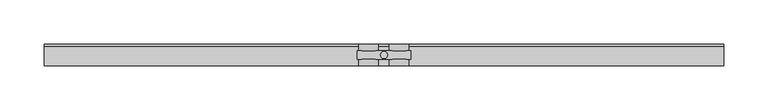
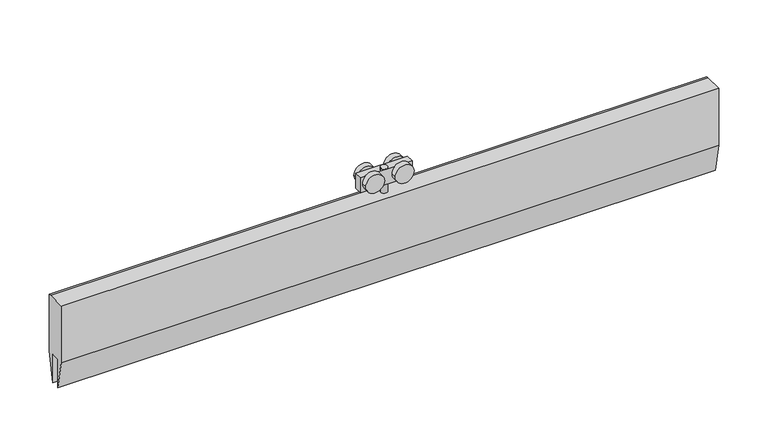
"""IFC4 building model written with IfcOpenShell, lengths in millimetres: proxy geometry."""

from ifc_helpers import new_model, si_unit, point, frame, frame_2d, origin, origin_2d, place, context, project, spatial, polyline, circle_curve, trimmed, segment, composite_curve, outline, extrude, source, transform, mapped, element, save


def specialty_equipment_376a0b69(model_context):
    return source(origin(), model_context, "Body", "SweptSolid", [
        extrude(outline(polyline([(-12.0, 49.0), (9.692747, 49.0), (12.0, 49.0), (12.0, -21.0), (5.0, -56.0), (5.0, -21.0), (-5.0, -21.0), (-5.0, -56.0), (-12.0, -21.0), (-12.0, 49.0)])), frame((-383.3176822, 0.0, 0.0), z_axis=(1.0, 0.0, 0.0), x_axis=(0.0, 1.0, 0.0)), (0.0, 0.0, 1.0), 766.6353644),
        extrude(outline(composite_curve([segment(trimmed(circle_curve(origin_2d(), 4.0), [point((-4.0, 0.0))], [point((4.0, 0.0))], False, "CARTESIAN"), True, "CONTINUOUS"), segment(trimmed(circle_curve(origin_2d(), 4.0), [point((4.0, 0.0))], [point((-4.0, 0.0))], False, "CARTESIAN"), True, "CONTINUOUS")], self_intersect=False)), frame((0.0, 0.0, 49.0), z_axis=(0.0, 0.0, 1.0), x_axis=(1.0, 0.0, 0.0)), (0.0, 0.0, 1.0), 30.0),
        extrude(outline(polyline([(30.0, -5.0), (-30.0, -5.0), (-30.0, 5.0), (30.0, 5.0), (30.0, -5.0)])), frame((0.0, 0.0, 60.4593609), z_axis=(0.0, 0.0, 1.0), x_axis=(1.0, 0.0, 0.0)), (0.0, 0.0, 1.0), 18.5406391),
        extrude(outline(composite_curve([segment(trimmed(circle_curve(frame_2d((71.5071727, 17.1562807)), 11.0), [point((71.5071727, 6.1562807))], [point((71.5071727, 28.1562807))], False, "CARTESIAN"), True, "CONTINUOUS"), segment(trimmed(circle_curve(frame_2d((71.5071727, 17.1562807)), 11.0), [point((71.5071727, 28.1562807))], [point((71.5071727, 6.1562807))], False, "CARTESIAN"), True, "CONTINUOUS")], self_intersect=False)), frame((0.0, 5.0, 0.0), z_axis=(0.0, 1.0, 0.0), x_axis=(0.0, 0.0, 1.0)), (0.0, 0.0, 1.0), 7.0),
        extrude(outline(composite_curve([segment(trimmed(circle_curve(frame_2d((71.5, 17.1562807)), 11.0), [point((71.5, 6.1562807))], [point((71.5, 28.1562807))], False, "CARTESIAN"), True, "CONTINUOUS"), segment(trimmed(circle_curve(frame_2d((71.5, 17.1562807)), 11.0), [point((71.5, 28.1562807))], [point((71.5, 6.1562807))], False, "CARTESIAN"), True, "CONTINUOUS")], self_intersect=False)), frame((0.0, -12.0, 0.0), z_axis=(0.0, 1.0, 0.0), x_axis=(0.0, 0.0, 1.0)), (0.0, 0.0, 1.0), 7.0),
        extrude(outline(composite_curve([segment(trimmed(circle_curve(frame_2d((71.5071727, -17.2187193)), 11.0), [point((71.5071727, -28.2187193))], [point((71.5071727, -6.2187193))], False, "CARTESIAN"), True, "CONTINUOUS"), segment(trimmed(circle_curve(frame_2d((71.5071727, -17.2187193)), 11.0), [point((71.5071727, -6.2187193))], [point((71.5071727, -28.2187193))], False, "CARTESIAN"), True, "CONTINUOUS")], self_intersect=False)), frame((0.0, 5.0, 0.0), z_axis=(0.0, 1.0, 0.0), x_axis=(0.0, 0.0, 1.0)), (0.0, 0.0, 1.0), 7.0),
        extrude(outline(composite_curve([segment(trimmed(circle_curve(frame_2d((71.5, -17.2187193)), 11.0), [point((71.5, -28.2187193))], [point((71.5, -6.2187193))], False, "CARTESIAN"), True, "CONTINUOUS"), segment(trimmed(circle_curve(frame_2d((71.5, -17.2187193)), 11.0), [point((71.5, -6.2187193))], [point((71.5, -28.2187193))], False, "CARTESIAN"), True, "CONTINUOUS")], self_intersect=False)), frame((0.0, -12.0, 0.0), z_axis=(0.0, 1.0, 0.0), x_axis=(0.0, 0.0, 1.0)), (0.0, 0.0, 1.0), 7.0),
    ])


if __name__ == "__main__":
    model = new_model("IFC4")
    model_context = context("Model", 3, world=origin())
    ifc_project = project(units=[si_unit("LENGTHUNIT", "METRE", prefix="MILLI")], contexts=[model_context])
    site = spatial("IfcSite", under=ifc_project)
    building = spatial("IfcBuilding", under=site)
    placement = place(None, origin())
    specialty_equipment_shape = specialty_equipment_376a0b69(model_context)
    element("IfcBuildingElementProxy", 1, Name="Specialty Equipment", at=placement, inside=building, context=model_context, shape_type="MappedRepresentation", body=[
        mapped(specialty_equipment_shape, transform((0.0, 0.0, 0.0), x_axis=(1.0, 0.0, 0.0), y_axis=(0.0, 1.0, 0.0), z_axis=(0.0, 0.0, 1.0))),
    ])
    save(model, "model.ifc")
